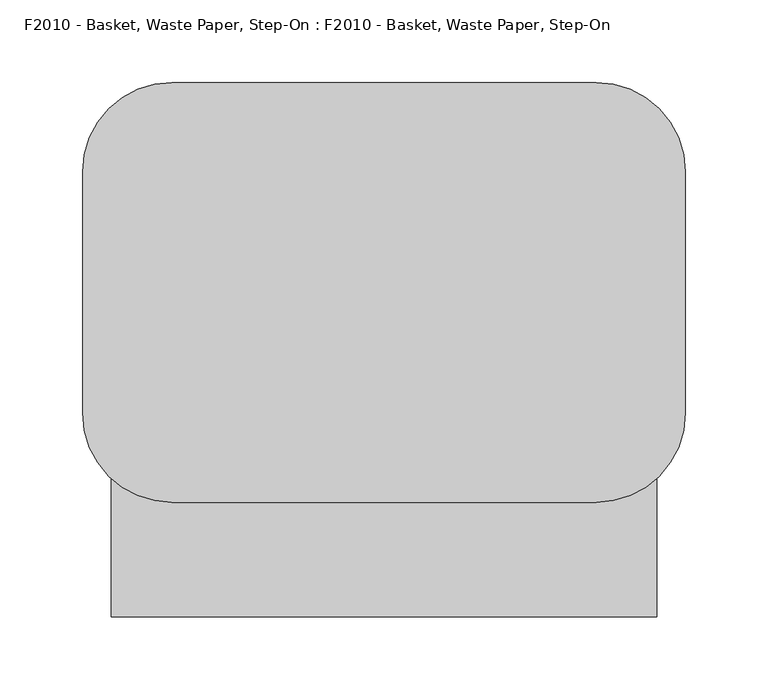
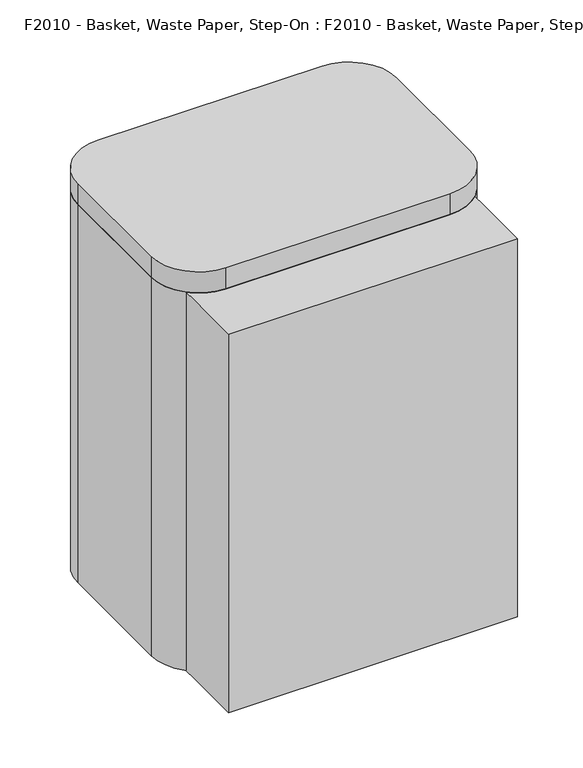
"""IFC4 building model written with IfcOpenShell, lengths in millimetres: proxy geometry, F2010 - Basket, Waste Paper, Step-On : F2010 - Basket, Waste Paper, Step-On."""

from ifc_helpers import new_model, si_unit, point, frame, frame_2d, origin, origin_with_axes, place, context, project, spatial, polyline, circle_curve, trimmed, segment, composite_curve, outline, extrude, source, transform, mapped, element, save
from ifc_brep_helpers import plane_surface, cylinder_surface, revolved_surface, advanced_brep


def f2010_basket_waste_paper_step_on_f2010_basket_waste_paper_f2c5e097(model_context):
    return source(origin(), model_context, "Body", "SolidModel", [
        advanced_brep(
        [(128.266525, 170.9615385, 457.2), (-128.266525, 170.9615385, 457.2), (-182.241525, 116.9865385, 457.2), (-182.241525, -29.0634615, 457.2), (-128.266525, -83.0384615, 457.2), (128.266525, -83.0384615, 457.2), (182.241525, -29.0634615, 457.2), (182.241525, 116.9865385, 457.2), (-114.3, 164.6115385, 457.2), (114.3, 164.6115385, 457.2), (165.1, 113.8115385, 457.2), (165.1, -25.8884615, 457.2), (114.3, -76.6884615, 457.2), (-114.3, -76.6884615, 457.2), (-165.1, -25.8884615, 457.2), (-165.1, 113.8115385, 457.2), (128.266525, 170.9615385, 0.0), (182.241525, 116.9865385, 0.0), (182.241525, -29.0634615, 0.0), (128.266525, -83.0384615, 0.0), (-128.266525, -83.0384615, 0.0), (-182.241525, -29.0634615, 0.0), (-182.241525, 116.9865385, 0.0), (-128.266525, 170.9615385, 0.0), (114.3, 164.6115385, 12.7), (-114.3, 164.6115385, 12.7), (-165.1, 113.8115385, 12.7), (-165.1, -25.8884615, 12.7), (-114.3, -76.6884615, 12.7), (114.3, -76.6884615, 12.7), (165.1, -25.8884615, 12.7), (165.1, 113.8115385, 12.7)],
        [
            (0, 1),
            (1, 2, circle_curve(frame((-128.266525, 116.9865385, 457.2), z_axis=(0.0, 0.0, 1.0), x_axis=(1.0, 0.0, 0.0)), 53.975)),
            (2, 3),
            (3, 4, circle_curve(frame((-128.266525, -29.0634615, 457.2), z_axis=(0.0, 0.0, 1.0), x_axis=(1.0, 0.0, 0.0)), 53.975)),
            (4, 5),
            (5, 6, circle_curve(frame((128.266525, -29.0634615, 457.2), z_axis=(0.0, 0.0, 1.0), x_axis=(1.0, 0.0, 0.0)), 53.975)),
            (6, 7),
            (7, 0, circle_curve(frame((128.266525, 116.9865385, 457.2), z_axis=(0.0, 0.0, 1.0), x_axis=(1.0, 0.0, 0.0)), 53.975)),
            (8, 9),
            (9, 10, circle_curve(frame((114.3, 113.8115385, 457.2), z_axis=(0.0, 0.0, -1.0), x_axis=(1.0, 0.0, 0.0)), 50.8)),
            (10, 11),
            (11, 12, circle_curve(frame((114.3, -25.8884615, 457.2), z_axis=(0.0, 0.0, -1.0), x_axis=(1.0, 0.0, 0.0)), 50.8)),
            (12, 13),
            (13, 14, circle_curve(frame((-114.3, -25.8884615, 457.2), z_axis=(0.0, 0.0, -1.0), x_axis=(1.0, 0.0, 0.0)), 50.8)),
            (14, 15),
            (15, 8, circle_curve(frame((-114.3, 113.8115385, 457.2), z_axis=(0.0, 0.0, -1.0), x_axis=(1.0, 0.0, 0.0)), 50.8)),
            (16, 17, circle_curve(frame((128.266525, 116.9865385, 0.0), z_axis=(0.0, 0.0, -1.0), x_axis=(1.0, 0.0, 0.0)), 53.975)),
            (17, 18),
            (18, 19, circle_curve(frame((128.266525, -29.0634615, 0.0), z_axis=(0.0, 0.0, -1.0), x_axis=(1.0, 0.0, 0.0)), 53.975)),
            (19, 20),
            (20, 21, circle_curve(frame((-128.266525, -29.0634615, 0.0), z_axis=(0.0, 0.0, -1.0), x_axis=(1.0, 0.0, 0.0)), 53.975)),
            (21, 22),
            (22, 23, circle_curve(frame((-128.266525, 116.9865385, 0.0), z_axis=(0.0, 0.0, -1.0), x_axis=(1.0, 0.0, 0.0)), 53.975)),
            (23, 16),
            (0, 16),
            (23, 1),
            (22, 2),
            (21, 3),
            (20, 4),
            (19, 5),
            (18, 6),
            (17, 7),
            (24, 25),
            (25, 26, circle_curve(frame((-114.3, 113.8115385, 12.7), z_axis=(0.0, 0.0, 1.0), x_axis=(1.0, 0.0, 0.0)), 50.8)),
            (26, 27),
            (27, 28, circle_curve(frame((-114.3, -25.8884615, 12.7), z_axis=(0.0, 0.0, 1.0), x_axis=(1.0, 0.0, 0.0)), 50.8)),
            (28, 29),
            (29, 30, circle_curve(frame((114.3, -25.8884615, 12.7), z_axis=(0.0, 0.0, 1.0), x_axis=(1.0, 0.0, 0.0)), 50.8)),
            (30, 31),
            (31, 24, circle_curve(frame((114.3, 113.8115385, 12.7), z_axis=(0.0, 0.0, 1.0), x_axis=(1.0, 0.0, 0.0)), 50.8)),
            (24, 9),
            (8, 25),
            (15, 26),
            (14, 27),
            (13, 28),
            (12, 29),
            (11, 30),
            (10, 31),
        ],
        [
            plane_surface(frame((-182.241525, 170.9615385, 457.2), z_axis=(0.0, 0.0, 1.0), x_axis=(-1.0, 0.0, 0.0))),
            plane_surface(frame((-182.241525, 170.9615385, 0.0), z_axis=(0.0, 0.0, -1.0), x_axis=(1.0, 0.0, 0.0))),
            plane_surface(frame((128.266525, 170.9615385, 457.2), z_axis=(0.0, 1.0, 0.0), x_axis=(0.0, 0.0, -1.0))),
            cylinder_surface(frame((-128.266525, 116.9865385, 0.0), z_axis=(0.0, 0.0, 1.0), x_axis=(1.0, 0.0, 0.0)), 53.975),
            plane_surface(frame((-182.241525, 116.9865385, 457.2), z_axis=(-1.0, 0.0, 0.0), x_axis=(0.0, 0.0, -1.0))),
            cylinder_surface(frame((-128.266525, -29.0634615, 0.0), z_axis=(0.0, 0.0, 1.0), x_axis=(1.0, 0.0, 0.0)), 53.975),
            plane_surface(frame((-128.266525, -83.0384615, 457.2), z_axis=(0.0, -1.0, 0.0), x_axis=(0.0, 0.0, -1.0))),
            cylinder_surface(frame((128.266525, -29.0634615, 0.0), z_axis=(0.0, 0.0, 1.0), x_axis=(1.0, 0.0, 0.0)), 53.975),
            plane_surface(frame((182.241525, -29.0634615, 457.2), z_axis=(1.0, 0.0, 0.0), x_axis=(0.0, 0.0, -1.0))),
            cylinder_surface(frame((128.266525, 116.9865385, 0.0), z_axis=(0.0, 0.0, 1.0), x_axis=(1.0, 0.0, 0.0)), 53.975),
            plane_surface(frame((-125.091525, 164.6115385, 12.7), z_axis=(0.0, 0.0, 1.0), x_axis=(1.0, 0.0, 0.0))),
            plane_surface(frame((114.3, 164.6115385, 457.2), z_axis=(0.0, -1.0, 0.0), x_axis=(0.0, 0.0, -1.0))),
            revolved_surface(polyline([(-63.5, 113.8115385, 457.2), (-63.5, 113.8115385, 12.7)]), (-114.3, 113.8115385, 12.7), (0.0, 0.0, 1.0)),
            plane_surface(frame((-165.1, 113.8115385, 457.2), z_axis=(1.0, 0.0, 0.0), x_axis=(0.0, 0.0, -1.0))),
            revolved_surface(polyline([(-63.5, -25.8884615, 457.2), (-63.5, -25.8884615, 12.7)]), (-114.3, -25.8884615, 12.7), (0.0, 0.0, 1.0)),
            plane_surface(frame((-114.3, -76.6884615, 457.2), z_axis=(0.0, 1.0, 0.0), x_axis=(0.0, 0.0, -1.0))),
            revolved_surface(polyline([(165.1, -25.8884615, 457.2), (165.1, -25.8884615, 12.7)]), (114.3, -25.8884615, 12.7), (0.0, 0.0, 1.0)),
            plane_surface(frame((165.1, -25.8884615, 457.2), z_axis=(-1.0, 0.0, 0.0), x_axis=(0.0, 0.0, -1.0))),
            revolved_surface(polyline([(165.1, 113.8115385, 457.2), (165.1, 113.8115385, 12.7)]), (114.3, 113.8115385, 12.7), (0.0, 0.0, 1.0)),
        ],
        [
            (0, [[1, 2, 3, 4, 5, 6, 7, 8], [9, 10, 11, 12, 13, 14, 15, 16]]),
            (1, [[17, 18, 19, 20, 21, 22, 23, 24]]),
            (2, [[-1, 25, -24, 26]]),
            (3, [[-2, -26, -23, 27]]),
            (4, [[-3, -27, -22, 28]]),
            (5, [[-4, -28, -21, 29]]),
            (6, [[-5, -29, -20, 30]]),
            (7, [[-6, -30, -19, 31]]),
            (8, [[-7, -31, -18, 32]]),
            (9, [[-8, -32, -17, -25]]),
            (10, [[33, 34, 35, 36, 37, 38, 39, 40]]),
            (11, [[-33, 41, -9, 42]]),
            (12, [[-34, -42, -16, 43]]),
            (13, [[-35, -43, -15, 44]]),
            (14, [[-36, -44, -14, 45]]),
            (15, [[-37, -45, -13, 46]]),
            (16, [[-38, -46, -12, 47]]),
            (17, [[-39, -47, -11, 48]]),
            (18, [[-40, -48, -10, -41]]),
        ],
    ),
        extrude(outline(polyline([(50.8, -83.0384615), (-50.8, -83.0384615), (-50.8, -6.8384615), (50.8, -6.8384615), (50.8, -83.0384615)])), origin_with_axes(), (0.0, 0.0, 1.0), 105.5317808),
        extrude(outline(polyline([(38.1, -57.6384615), (38.1, -133.8384615), (-38.1, -133.8384615), (-38.1, -57.6384615), (38.1, -57.6384615)])), origin_with_axes(), (0.0, 0.0, 1.0), 50.8),
        extrude(outline(composite_curve([segment(trimmed(circle_curve(frame_2d((128.266525, 116.9865385)), 53.975), [point((128.266525, 170.9615385))], [point((182.241525, 116.9865385))], False, "CARTESIAN"), True, "CONTINUOUS"), segment(polyline([(182.241525, 116.9865385), (182.241525, -29.0634615)]), True, "CONTINUOUS"), segment(trimmed(circle_curve(frame_2d((128.266525, -29.0634615)), 53.975), [point((182.241525, -29.0634615))], [point((128.266525, -83.0384615))], False, "CARTESIAN"), True, "CONTINUOUS"), segment(polyline([(128.266525, -83.0384615), (-128.266525, -83.0384615)]), True, "CONTINUOUS"), segment(trimmed(circle_curve(frame_2d((-128.266525, -29.0634615)), 53.975), [point((-128.266525, -83.0384615))], [point((-182.241525, -29.0634615))], False, "CARTESIAN"), True, "CONTINUOUS"), segment(polyline([(-182.241525, -29.0634615), (-182.241525, 116.9865385)]), True, "CONTINUOUS"), segment(trimmed(circle_curve(frame_2d((-128.266525, 116.9865385)), 53.975), [point((-182.241525, 116.9865385))], [point((-128.266525, 170.9615385))], False, "CARTESIAN"), True, "CONTINUOUS"), segment(polyline([(-128.266525, 170.9615385), (128.266525, 170.9615385)]), True, "CONTINUOUS")], self_intersect=False)), frame((0.0, 0.0, 457.2), z_axis=(0.0, 0.0, 1.0), x_axis=(1.0, 0.0, 0.0)), (0.0, 0.0, 1.0), 25.4),
        extrude(outline(polyline([(-165.1, 152.4), (165.1, 152.4), (165.1, -152.4), (-165.1, -152.4), (-165.1, 0.0), (-165.1, 152.4)])), origin_with_axes(), (0.0, 0.0, 1.0), 457.2),
    ])


if __name__ == "__main__":
    model = new_model("IFC4")
    model_context = context("Model", 3, world=origin())
    ifc_project = project(units=[si_unit("LENGTHUNIT", "METRE", prefix="MILLI")], contexts=[model_context])
    site = spatial("IfcSite", under=ifc_project)
    building = spatial("IfcBuilding", under=site)
    placement = place(None, origin())
    f2010_basket_waste_paper_step_on_f2010_basket_waste_paper_shape = f2010_basket_waste_paper_step_on_f2010_basket_waste_paper_f2c5e097(model_context)
    element("IfcBuildingElementProxy", 1, Name="F2010 - Basket, Waste Paper, Step-On : F2010 - Basket, Waste Paper, Step-On", ObjectType="F2010 - Basket, Waste Paper, Step-On : F2010 - Basket, Waste Paper, Step-On", at=placement, inside=building, context=model_context, shape_type="MappedRepresentation", body=[
        mapped(f2010_basket_waste_paper_step_on_f2010_basket_waste_paper_shape, transform((0.0, 0.0, 0.0), x_axis=(1.0, 0.0, 0.0), y_axis=(0.0, 1.0, 0.0), z_axis=(0.0, 0.0, 1.0))),
    ])
    save(model, "model.ifc")
